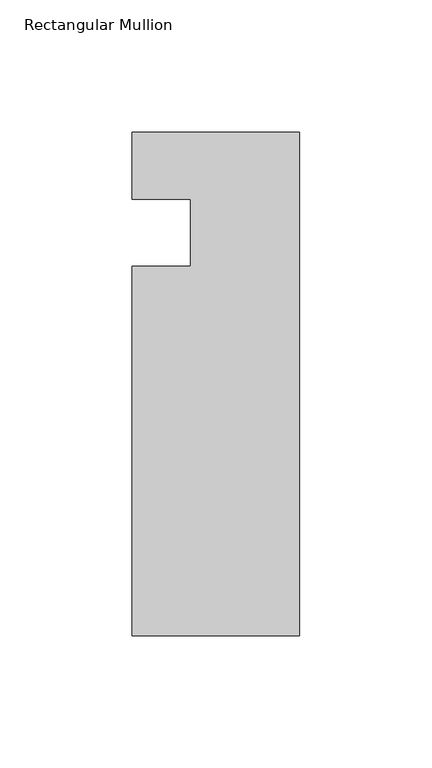
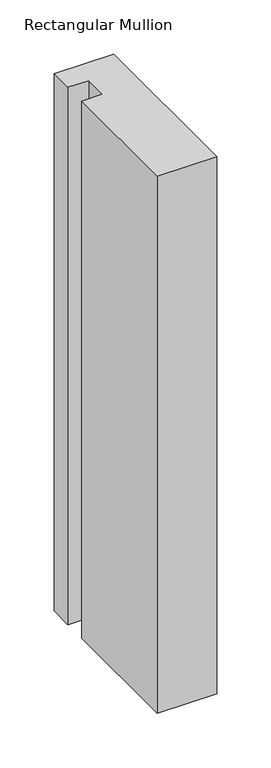
"""IFC4 building model written with IfcOpenShell, lengths in millimetres: member geometry, Rectangular Mullion."""

from ifc_helpers import new_model, si_unit, frame, origin, place, context, project, spatial, polyline, outline, extrude, source, transform, mapped, element, save


def rectangular_mullion_d104318c(model_context):
    return source(origin(), model_context, "Body", "SweptSolid", [
        extrude(outline(polyline([(0.0, -152.399995), (-63.5, -152.399995), (-63.5, -12.7), (-41.2751132, -12.7), (-41.2751132, 12.7), (-63.5, 12.7), (-63.5, 38.1), (0.0, 38.1), (0.0, -152.399995)])), frame((0.0, 0.0, -606.4249623), z_axis=(0.0, 0.0, 1.0), x_axis=(1.0, 0.0, 0.0)), (0.0, 0.0, 1.0), 606.4249623),
    ])


if __name__ == "__main__":
    model = new_model("IFC4")
    model_context = context("Model", 3, world=origin())
    ifc_project = project(units=[si_unit("LENGTHUNIT", "METRE", prefix="MILLI")], contexts=[model_context])
    site = spatial("IfcSite", under=ifc_project)
    building = spatial("IfcBuilding", under=site)
    placement = place(None, origin())
    rectangular_mullion_shape = rectangular_mullion_d104318c(model_context)
    element("IfcMember", 1, ObjectType="Rectangular Mullion", at=placement, inside=building, context=model_context, shape_type="MappedRepresentation", body=[
        mapped(rectangular_mullion_shape, transform((0.0, 0.0, 0.0), x_axis=(1.0, 0.0, 0.0), y_axis=(0.0, 1.0, 0.0), z_axis=(0.0, 0.0, 1.0))),
    ])
    save(model, "model.ifc")
